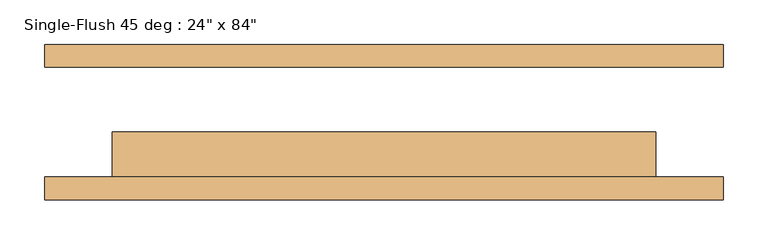
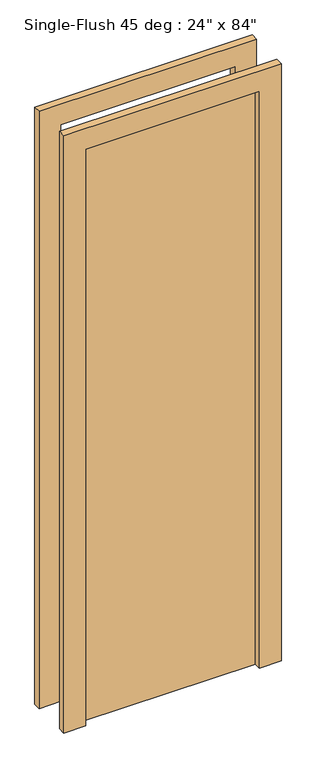
"""IFC4 building model written with IfcOpenShell, lengths in millimetres: door geometry."""

from ifc_helpers import new_model, si_unit, frame, origin, origin_with_axes, place, context, project, spatial, polyline, outline, extrude, source, transform, mapped, element, save


def door_adc6b382(model_context):
    return source(origin(), model_context, "Body", "SweptSolid", [
        extrude(outline(polyline([(2209.8, -381.0), (0.0, -381.0), (0.0, -304.8), (2133.6, -304.8), (2133.6, 304.8), (0.0, 304.8), (0.0, 381.0), (2209.8, 381.0), (2209.8, -381.0)])), frame((0.0, -87.3125, 0.0), z_axis=(0.0, 1.0, 0.0), x_axis=(0.0, 0.0, 1.0)), (0.0, 0.0, 1.0), 25.4),
        extrude(outline(polyline([(2209.8, 381.0), (2209.8, -381.0), (0.0, -381.0), (0.0, -304.8), (2133.6, -304.8), (2133.6, 304.8), (0.0, 304.8), (0.0, 381.0), (2209.8, 381.0)])), frame((0.0, 61.9125, 0.0), z_axis=(0.0, 1.0, 0.0), x_axis=(0.0, 0.0, 1.0)), (0.0, 0.0, 1.0), 25.4),
        extrude(outline(polyline([(304.8, -11.1125), (304.8, -61.9125), (-304.8, -61.9125), (-304.8, -11.1125), (304.8, -11.1125)])), origin_with_axes(), (0.0, 0.0, 1.0), 2133.6),
    ])


if __name__ == "__main__":
    model = new_model("IFC4")
    model_context = context("Model", 3, world=origin())
    ifc_project = project(units=[si_unit("LENGTHUNIT", "METRE", prefix="MILLI")], contexts=[model_context])
    site = spatial("IfcSite", under=ifc_project)
    building = spatial("IfcBuilding", under=site)
    placement = place(None, origin())
    door_shape = door_adc6b382(model_context)
    element("IfcDoor", 1, ObjectType="Single-Flush 45 deg : 24\" x 84\"", at=placement, inside=building, context=model_context, shape_type="MappedRepresentation", body=[
        mapped(door_shape, transform((0.0, 0.0, 0.0), x_axis=(1.0, 0.0, 0.0), y_axis=(0.0, 1.0, 0.0), z_axis=(0.0, 0.0, 1.0))),
    ])
    save(model, "model.ifc")
